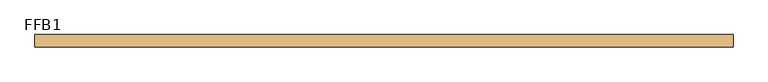
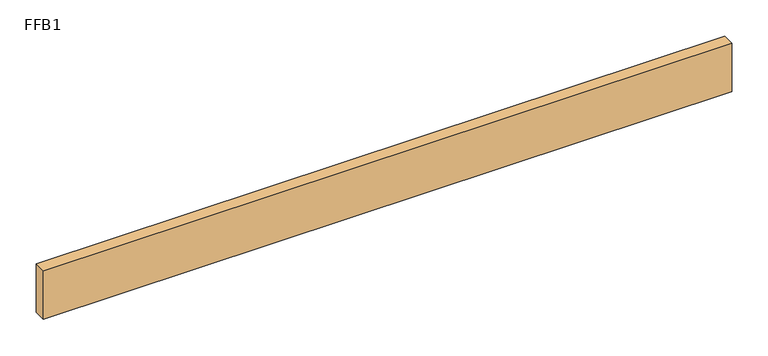
"""IFC4 building model written with IfcOpenShell, lengths in millimetres: door geometry, FFB1."""

from ifc_helpers import new_model, si_unit, origin, origin_with_axes, place, context, project, spatial, polyline, outline, extrude, source, transform, mapped, element, save


def ffb1_ff21839c(model_context):
    return source(origin(), model_context, "Body", "SweptSolid", [
        extrude(outline(polyline([(546.1, 0.0), (-546.1, 0.0), (-546.1, 19.05), (546.1, 19.05), (546.1, 0.0)])), origin_with_axes(), (0.0, 0.0, 1.0), 81.28),
    ])


if __name__ == "__main__":
    model = new_model("IFC4")
    model_context = context("Model", 3, world=origin())
    ifc_project = project(units=[si_unit("LENGTHUNIT", "METRE", prefix="MILLI")], contexts=[model_context])
    site = spatial("IfcSite", under=ifc_project)
    building = spatial("IfcBuilding", under=site)
    placement = place(None, origin())
    ffb1_shape = ffb1_ff21839c(model_context)
    element("IfcDoor", 1, ObjectType="FFB1", at=placement, inside=building, context=model_context, shape_type="MappedRepresentation", body=[
        mapped(ffb1_shape, transform((0.0, 0.0, 0.0), x_axis=(1.0, 0.0, 0.0), y_axis=(0.0, 1.0, 0.0), z_axis=(0.0, 0.0, 1.0))),
    ])
    save(model, "model.ifc")
